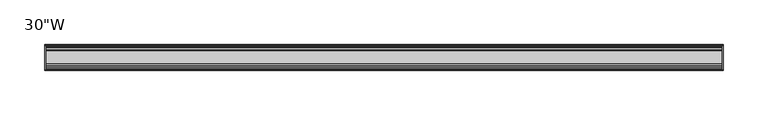
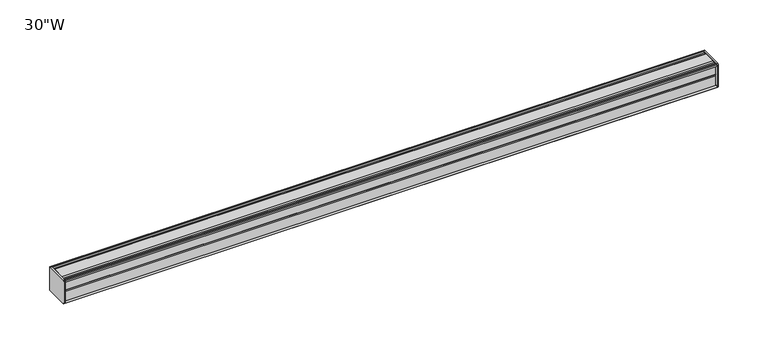
"""IFC4 building model written with IfcOpenShell, lengths in millimetres: furniture geometry."""

from ifc_helpers import new_model, si_unit, frame, origin, place, context, project, spatial, circle_curve, source, transform, mapped, element, save
from ifc_brep_helpers import plane_surface, cylinder_surface, advanced_brep


def furniture_9a12c229(model_context):
    return source(origin(), model_context, "Body", "AdvancedBrep", [
        advanced_brep(
        [(379.4125, 14.5851562, 1196.1436262), (379.4125, 14.5851562, 1169.9932877), (379.4125, 14.4138595, 1169.1873997), (379.4125, 13.8374434, 1168.6109837), (379.4125, 12.9019306, 1168.3603131), (379.4125, -13.4067434, 1168.3603131), (379.4125, -14.3040014, 1169.2575711), (379.4125, -14.5851563, 1170.0259798), (379.4125, -14.5851563, 1195.9443327), (379.4125, -14.3040014, 1196.7127414), (379.4125, -13.4464303, 1197.5703125), (379.4125, 13.0500437, 1197.5703125), (379.4125, 13.8374434, 1197.3593288), (379.4125, 14.4138595, 1196.7829128), (381.0, 14.6248431, 1195.9955131), (381.0, 14.4138595, 1196.7829128), (381.0, 13.8374434, 1197.3593288), (381.0, 13.0500437, 1197.5703125), (381.0, -13.4464303, 1197.5703125), (381.0, -14.3040014, 1196.7127414), (381.0, -14.5851563, 1195.9443327), (381.0, -14.5851563, 1170.0259798), (381.0, -14.3040014, 1169.2575711), (381.0, -13.4067434, 1168.3603131), (381.0, 12.9019306, 1168.3603131), (381.0, 13.8374434, 1168.6109837), (381.0, 14.4138595, 1169.1873997), (381.0, 14.5851562, 1169.9932877)],
        [
            (0, 1),
            (1, 2),
            (2, 3),
            (3, 4),
            (4, 5),
            (5, 6),
            (6, 7, circle_curve(frame((379.4125, -13.3945313, 1170.0259798), z_axis=(-1.0, 0.0, 0.0), x_axis=(0.0, 1.0, 0.0)), 1.190625)),
            (7, 8),
            (8, 9, circle_curve(frame((379.4125, -13.3945313, 1195.9443327), z_axis=(-1.0, 0.0, 0.0), x_axis=(0.0, 1.0, 0.0)), 1.190625)),
            (9, 10),
            (10, 11),
            (11, 12),
            (12, 13),
            (13, 0),
            (14, 15),
            (15, 16),
            (16, 17),
            (17, 18),
            (18, 19),
            (19, 20, circle_curve(frame((381.0, -13.3945313, 1195.9443327), z_axis=(1.0, 0.0, 0.0), x_axis=(0.0, 1.0, 0.0)), 1.190625)),
            (20, 21),
            (21, 22, circle_curve(frame((381.0, -13.3945313, 1170.0259798), z_axis=(1.0, 0.0, 0.0), x_axis=(0.0, 1.0, 0.0)), 1.190625)),
            (22, 23),
            (23, 24),
            (24, 25),
            (25, 26),
            (26, 27),
            (27, 14),
            (13, 15),
            (14, 0),
            (12, 16),
            (11, 17),
            (10, 18),
            (9, 19),
            (8, 20),
            (7, 21),
            (6, 22),
            (5, 23),
            (4, 24),
            (3, 25),
            (2, 26),
            (1, 27),
        ],
        [
            plane_surface(frame((379.4125, 14.5851562, 1169.9932877), z_axis=(-1.0, 0.0, 0.0), x_axis=(0.0, 0.0, -1.0))),
            plane_surface(frame((381.0, 14.5851562, 1169.9932877), z_axis=(1.0, 0.0, 0.0), x_axis=(0.0, 0.0, 1.0))),
            plane_surface(frame((379.4125, 14.4138595, 1196.7829128), z_axis=(0.0, 0.9659256560349851, 0.25881968049857335), x_axis=(1.0, 0.0, 0.0))),
            plane_surface(frame((379.4125, 13.8374434, 1197.3593288), z_axis=(0.0, 0.7071067811866345, 0.7071067811864606), x_axis=(1.0, 0.0, 0.0))),
            plane_surface(frame((379.4125, 13.0500437, 1197.5703125), z_axis=(0.0, 0.2588196804711877, 0.9659256560423232), x_axis=(1.0, 0.0, 0.0))),
            plane_surface(frame((379.4125, -13.4464303, 1197.5703125), z_axis=(0.0, 0.0, 1.0), x_axis=(1.0, 0.0, 0.0))),
            plane_surface(frame((379.4125, -14.3040014, 1196.7127414), z_axis=(0.0, -0.70710678117674, 0.7071067811963553), x_axis=(1.0, 0.0, 0.0))),
            cylinder_surface(frame((381.0, -13.3945313, 1195.9443327), z_axis=(-1.0, 0.0, 0.0), x_axis=(0.0, 1.0, 0.0)), 1.190625),
            plane_surface(frame((379.4125, -14.5851563, 1170.0259798), z_axis=(0.0, -1.0, 0.0), x_axis=(1.0, 0.0, 0.0))),
            cylinder_surface(frame((381.0, -13.3945313, 1170.0259798), z_axis=(-1.0, 0.0, 0.0), x_axis=(0.0, 1.0, 0.0)), 1.190625),
            plane_surface(frame((379.4125, -13.4067434, 1168.3603131), z_axis=(0.0, -0.7071067811917087, -0.7071067811813864), x_axis=(1.0, 0.0, 0.0))),
            plane_surface(frame((379.4125, 12.9019306, 1168.3603131), z_axis=(0.0, 0.0, -1.0), x_axis=(1.0, 0.0, 0.0))),
            plane_surface(frame((379.4125, 13.8374434, 1168.6109837), z_axis=(0.0, 0.2588196804985645, -0.9659256560349875), x_axis=(1.0, 0.0, 0.0))),
            plane_surface(frame((379.4125, 14.4138595, 1169.1873997), z_axis=(0.0, 0.7071067811865204, -0.7071067811865748), x_axis=(1.0, 0.0, 0.0))),
            plane_surface(frame((379.4125, 14.5851562, 1169.9932877), z_axis=(0.0, 0.9781476007310527, -0.207911690830711), x_axis=(1.0, 0.0, 0.0))),
            plane_surface(frame((379.4125, 14.5851562, 1196.1436262), z_axis=(0.0, 1.0, 0.0), x_axis=(1.0, 0.0, 0.0))),
        ],
        [
            (0, [[1, 2, 3, 4, 5, 6, 7, 8, 9, 10, 11, 12, 13, 14]]),
            (1, [[15, 16, 17, 18, 19, 20, 21, 22, 23, 24, 25, 26, 27, 28]]),
            (2, [[-14, 29, -15, 30]]),
            (3, [[-13, 31, -16, -29]]),
            (4, [[-12, 32, -17, -31]]),
            (5, [[-11, 33, -18, -32]]),
            (6, [[-10, 34, -19, -33]]),
            (7, [[-9, 35, -20, -34]]),
            (8, [[-8, 36, -21, -35]]),
            (9, [[-7, 37, -22, -36]]),
            (10, [[-6, 38, -23, -37]]),
            (11, [[-5, 39, -24, -38]]),
            (12, [[-4, 40, -25, -39]]),
            (13, [[-3, 41, -26, -40]]),
            (14, [[-2, 42, -27, -41]]),
            (15, [[-1, -30, -28, -42]]),
        ],
    ),
        advanced_brep(
        [(-379.4125, 14.6248431, 1195.9955131), (-379.4125, 14.4138595, 1196.7829128), (-379.4125, 13.8374434, 1197.3593288), (-379.4125, 13.0500437, 1197.5703125), (-379.4125, -13.4464303, 1197.5703125), (-379.4125, -14.3040014, 1196.7127414), (-379.4125, -14.5851563, 1195.9443327), (-379.4125, -14.5851563, 1170.0259798), (-379.4125, -14.3040014, 1169.2575711), (-379.4125, -13.4067434, 1168.3603131), (-379.4125, 12.9019306, 1168.3603131), (-379.4125, 13.8374434, 1168.6109837), (-379.4125, 14.4138595, 1169.1873997), (-379.4125, 14.5851562, 1169.9932877), (-381.0, 14.5851562, 1196.1436262), (-381.0, 14.5851562, 1169.9932877), (-381.0, 14.4138595, 1169.1873997), (-381.0, 13.8374434, 1168.6109837), (-381.0, 12.9019306, 1168.3603131), (-381.0, -13.4067434, 1168.3603131), (-381.0, -14.3040014, 1169.2575711), (-381.0, -14.5851563, 1170.0259798), (-381.0, -14.5851563, 1195.9443327), (-381.0, -14.3040014, 1196.7127414), (-381.0, -13.4464303, 1197.5703125), (-381.0, 13.0500437, 1197.5703125), (-381.0, 13.8374434, 1197.3593288), (-381.0, 14.4138595, 1196.7829128)],
        [
            (0, 1),
            (1, 2),
            (2, 3),
            (3, 4),
            (4, 5),
            (5, 6, circle_curve(frame((-379.4125, -13.3945313, 1195.9443327), z_axis=(1.0, 0.0, 0.0), x_axis=(0.0, 1.0, 0.0)), 1.190625)),
            (6, 7),
            (7, 8, circle_curve(frame((-379.4125, -13.3945313, 1170.0259798), z_axis=(1.0, 0.0, 0.0), x_axis=(0.0, 1.0, 0.0)), 1.190625)),
            (8, 9),
            (9, 10),
            (10, 11),
            (11, 12),
            (12, 13),
            (13, 0),
            (14, 15),
            (15, 16),
            (16, 17),
            (17, 18),
            (18, 19),
            (19, 20),
            (20, 21, circle_curve(frame((-381.0, -13.3945313, 1170.0259798), z_axis=(-1.0, 0.0, 0.0), x_axis=(0.0, 1.0, 0.0)), 1.190625)),
            (21, 22),
            (22, 23, circle_curve(frame((-381.0, -13.3945313, 1195.9443327), z_axis=(-1.0, 0.0, 0.0), x_axis=(0.0, 1.0, 0.0)), 1.190625)),
            (23, 24),
            (24, 25),
            (25, 26),
            (26, 27),
            (27, 14),
            (0, 14),
            (27, 1),
            (26, 2),
            (25, 3),
            (24, 4),
            (23, 5),
            (22, 6),
            (21, 7),
            (20, 8),
            (19, 9),
            (18, 10),
            (17, 11),
            (16, 12),
            (15, 13),
        ],
        [
            plane_surface(frame((-379.4125, 14.6248431, 1195.9955131), z_axis=(1.0000000000000002, 0.0, 0.0), x_axis=(0.0, -0.25881968043900594, 0.9659256560509463))),
            plane_surface(frame((-381.0, 14.6248431, 1195.9955131), z_axis=(-1.0000000000000002, 0.0, 0.0), x_axis=(0.0, 0.25881968043900594, -0.9659256560509463))),
            plane_surface(frame((-379.4125, 14.6248431, 1195.9955131), z_axis=(0.0, 0.9659256560509463, 0.25881968043900594), x_axis=(-1.0, 0.0, 0.0))),
            plane_surface(frame((-379.4125, 14.4138595, 1196.7829128), z_axis=(0.0, 0.7071067810675442, 0.7071067813055509), x_axis=(-1.0, 0.0, 0.0))),
            plane_surface(frame((-379.4125, 13.8374434, 1197.3593288), z_axis=(0.0, 0.2588196804841774, 0.9659256560388426), x_axis=(-1.0, 0.0, 0.0))),
            plane_surface(frame((-379.4125, 13.0500437, 1197.5703125), z_axis=(0.0, 0.0, 1.0), x_axis=(-1.0, 0.0, 0.0))),
            plane_surface(frame((-379.4125, -13.4464303, 1197.5703125), z_axis=(0.0, -0.7071067811883018, 0.7071067811847932), x_axis=(-1.0, 0.0, 0.0))),
            cylinder_surface(frame((-381.0, -13.3945313, 1195.9443327), z_axis=(1.0, 0.0, 0.0), x_axis=(0.0, 1.0, 0.0)), 1.190625),
            plane_surface(frame((-379.4125, -14.5851563, 1195.9443327), z_axis=(0.0, -1.0, 0.0), x_axis=(-1.0, 0.0, 0.0))),
            cylinder_surface(frame((-381.0, -13.3945313, 1170.0259798), z_axis=(1.0, 0.0, 0.0), x_axis=(0.0, 1.0, 0.0)), 1.190625),
            plane_surface(frame((-379.4125, -14.3040014, 1169.2575711), z_axis=(0.0, -0.7071067811864808, -0.7071067811866142), x_axis=(-1.0, 0.0, 0.0))),
            plane_surface(frame((-379.4125, -13.4067434, 1168.3603131), z_axis=(0.0, 0.0, -1.0), x_axis=(-1.0, 0.0, 0.0))),
            plane_surface(frame((-379.4125, 12.9019306, 1168.3603131), z_axis=(0.0, 0.25881968049856513, -0.9659256560349874), x_axis=(-1.0, 0.0, 0.0))),
            plane_surface(frame((-379.4125, 13.8374434, 1168.6109837), z_axis=(0.0, 0.707106781186519, -0.7071067811865761), x_axis=(-1.0, 0.0, 0.0))),
            plane_surface(frame((-379.4125, 14.4138595, 1169.1873997), z_axis=(0.0, 0.9781476007314348, -0.20791169082891317), x_axis=(-1.0, 0.0, 0.0))),
            plane_surface(frame((-379.4125, 14.5851562, 1169.9932877), z_axis=(0.0, 1.0, 0.0), x_axis=(-1.0, 0.0, 0.0))),
        ],
        [
            (0, [[1, 2, 3, 4, 5, 6, 7, 8, 9, 10, 11, 12, 13, 14]]),
            (1, [[15, 16, 17, 18, 19, 20, 21, 22, 23, 24, 25, 26, 27, 28]]),
            (2, [[-1, 29, -28, 30]]),
            (3, [[-2, -30, -27, 31]]),
            (4, [[-3, -31, -26, 32]]),
            (5, [[-4, -32, -25, 33]]),
            (6, [[-5, -33, -24, 34]]),
            (7, [[-6, -34, -23, 35]]),
            (8, [[-7, -35, -22, 36]]),
            (9, [[-8, -36, -21, 37]]),
            (10, [[-9, -37, -20, 38]]),
            (11, [[-10, -38, -19, 39]]),
            (12, [[-11, -39, -18, 40]]),
            (13, [[-12, -40, -17, 41]]),
            (14, [[-13, -41, -16, 42]]),
            (15, [[-14, -42, -15, -29]]),
        ],
    ),
        advanced_brep(
        [(379.4125, -7.3748315, 1197.5703125), (379.4125, -8.9105708, 1196.5395796), (379.4125, -10.7601399, 1196.5395796), (379.4125, -12.2958792, 1197.5703125), (379.4125, -13.4464303, 1197.5703125), (379.4125, -14.3040014, 1196.7127414), (379.4125, -13.3945313, 1194.7537077), (379.4125, -13.3945313, 1195.665312), (379.4125, -12.2039063, 1195.665312), (379.4125, -12.2039063, 1183.7590632), (379.4125, -11.4101564, 1182.9653134), (379.4125, -12.2039063, 1182.1715636), (379.4125, -12.2039063, 1170.2653131), (379.4125, -13.3945313, 1170.2653131), (379.4125, -13.3945313, 1171.2166048), (379.4125, -14.3040014, 1169.2575711), (379.4125, -13.4067434, 1168.3603131), (379.4125, -12.2958792, 1168.3603131), (379.4125, -10.7601399, 1169.3910471), (379.4125, -8.9105708, 1169.3910471), (379.4125, -7.4339628, 1168.4), (379.4125, 7.4145184, 1168.4), (379.4125, 8.9502576, 1169.4307329), (379.4125, 10.7998291, 1169.4307329), (379.4125, 12.2275037, 1168.4), (379.4125, 13.0500437, 1168.4), (379.4125, 13.8374434, 1168.6109837), (379.4125, 14.4138595, 1169.1873997), (379.4125, 14.5851562, 1169.9932877), (379.4125, 14.5851562, 1196.1436262), (379.4125, 14.4138595, 1196.7829128), (379.4125, 13.8374434, 1197.3593288), (379.4125, 13.0500437, 1197.5703125), (379.4125, 12.2275037, 1197.5703125), (379.4125, 10.7998291, 1196.5395796), (379.4125, 8.9502576, 1196.5395796), (379.4125, 7.4145184, 1197.5703125), (-379.4125, -7.3748315, 1197.5703125), (-379.4125, 7.4145184, 1197.5703125), (-379.4125, 8.9502576, 1196.5395796), (-379.4125, 10.7998291, 1196.5395796), (-379.4125, 12.2275037, 1197.5703125), (-379.4125, 13.0500437, 1197.5703125), (-379.4125, 13.8374434, 1197.3593288), (-379.4125, 14.4138595, 1196.7829128), (-379.4125, 14.6248431, 1195.9955131), (-379.4125, 14.5851562, 1169.9932877), (-379.4125, 14.4138595, 1169.1873997), (-379.4125, 13.8374434, 1168.6109837), (-379.4125, 13.0500437, 1168.4), (-379.4125, 12.2275037, 1168.4), (-379.4125, 10.7998291, 1169.4307329), (-379.4125, 8.9502576, 1169.4307329), (-379.4125, 7.4145184, 1168.4), (-379.4125, -7.4339628, 1168.4), (-379.4125, -8.9105708, 1169.3910471), (-379.4125, -10.7601399, 1169.3910471), (-379.4125, -12.2958792, 1168.3603131), (-379.4125, -13.4067434, 1168.3603131), (-379.4125, -14.3040014, 1169.2575711), (-379.4125, -13.3945313, 1171.2166048), (-379.4125, -13.3945313, 1170.2653131), (-379.4125, -12.2039063, 1170.2653131), (-379.4125, -12.2039063, 1182.1715636), (-379.4125, -11.4101564, 1182.9653134), (-379.4125, -12.2039063, 1183.7590632), (-379.4125, -12.2039063, 1195.665312), (-379.4125, -13.3945313, 1195.665312), (-379.4125, -13.3945313, 1194.7537077), (-379.4125, -14.3040014, 1196.7127414), (-379.4125, -13.4464303, 1197.5703125), (-379.4125, -12.2958792, 1197.5703125), (-379.4125, -10.7601399, 1196.5395796), (-379.4125, -8.9105708, 1196.5395796)],
        [
            (0, 1),
            (1, 2),
            (2, 3),
            (3, 4),
            (4, 5),
            (5, 6, circle_curve(frame((379.4125, -13.3945313, 1195.9443327), z_axis=(1.0, 0.0, 0.0), x_axis=(0.0, 1.0, 0.0)), 1.190625)),
            (6, 7),
            (7, 8),
            (8, 9),
            (9, 10),
            (10, 11),
            (11, 12),
            (12, 13),
            (13, 14),
            (14, 15, circle_curve(frame((379.4125, -13.3945313, 1170.0259798), z_axis=(1.0, 0.0, 0.0), x_axis=(0.0, 1.0, 0.0)), 1.190625)),
            (15, 16),
            (16, 17),
            (17, 18),
            (18, 19),
            (19, 20),
            (20, 21),
            (21, 22),
            (22, 23),
            (23, 24),
            (24, 25),
            (25, 26),
            (26, 27),
            (27, 28),
            (28, 29),
            (29, 30),
            (30, 31),
            (31, 32),
            (32, 33),
            (33, 34),
            (34, 35),
            (35, 36),
            (36, 0),
            (37, 38),
            (38, 39),
            (39, 40),
            (40, 41),
            (41, 42),
            (42, 43),
            (43, 44),
            (44, 45),
            (45, 46),
            (46, 47),
            (47, 48),
            (48, 49),
            (49, 50),
            (50, 51),
            (51, 52),
            (52, 53),
            (53, 54),
            (54, 55),
            (55, 56),
            (56, 57),
            (57, 58),
            (58, 59),
            (59, 60, circle_curve(frame((-379.4125, -13.3945313, 1170.0259798), z_axis=(-1.0, 0.0, 0.0), x_axis=(0.0, 1.0, 0.0)), 1.190625)),
            (60, 61),
            (61, 62),
            (62, 63),
            (63, 64),
            (64, 65),
            (65, 66),
            (66, 67),
            (67, 68),
            (68, 69, circle_curve(frame((-379.4125, -13.3945313, 1195.9443327), z_axis=(-1.0, 0.0, 0.0), x_axis=(0.0, 1.0, 0.0)), 1.190625)),
            (69, 70),
            (70, 71),
            (71, 72),
            (72, 73),
            (73, 37),
            (0, 37),
            (73, 1),
            (72, 2),
            (71, 3),
            (70, 4),
            (69, 5),
            (68, 6),
            (67, 7),
            (66, 8),
            (65, 9),
            (64, 10),
            (63, 11),
            (62, 12),
            (61, 13),
            (60, 14),
            (59, 15),
            (58, 16),
            (57, 17),
            (56, 18),
            (55, 19),
            (54, 20),
            (53, 21),
            (52, 22),
            (51, 23),
            (50, 24),
            (49, 25),
            (48, 26),
            (47, 27),
            (46, 28),
            (45, 29),
            (44, 30),
            (43, 31),
            (42, 32),
            (41, 33),
            (40, 34),
            (39, 35),
            (38, 36),
        ],
        [
            plane_surface(frame((379.4125, -7.3748315, 1197.5703125), z_axis=(1.0, 0.0, 0.0), x_axis=(0.0, -0.8303227972603312, -0.5572827400429506))),
            plane_surface(frame((-379.4125, -7.3748315, 1197.5703125), z_axis=(-1.0, 0.0, 0.0), x_axis=(0.0, 0.8303227972603312, 0.5572827400429506))),
            plane_surface(frame((379.4125, -7.3748315, 1197.5703125), z_axis=(0.0, -0.5572827400429506, 0.8303227972603312), x_axis=(-1.0, 0.0, 0.0))),
            plane_surface(frame((379.4125, -8.9105708, 1196.5395796), z_axis=(0.0, 0.0, 1.0), x_axis=(-1.0, 0.0, 0.0))),
            plane_surface(frame((379.4125, -10.7601399, 1196.5395796), z_axis=(0.0, 0.557282740042951, 0.8303227972603311), x_axis=(-1.0, 0.0, 0.0))),
            plane_surface(frame((379.4125, -12.2958792, 1197.5703125), z_axis=(0.0, 0.0, 1.0), x_axis=(-1.0, 0.0, 0.0))),
            plane_surface(frame((379.4125, -13.4464303, 1197.5703125), z_axis=(0.0, -0.7071067811813211, 0.707106781191774), x_axis=(-1.0, 0.0, 0.0))),
            cylinder_surface(frame((-379.4125, -13.3945313, 1195.9443327), z_axis=(1.0, 0.0, 0.0), x_axis=(0.0, 1.0, 0.0)), 1.190625),
            plane_surface(frame((379.4125, -13.3945313, 1194.7537077), z_axis=(0.0, 1.0, 0.0), x_axis=(-1.0, 0.0, 0.0))),
            plane_surface(frame((379.4125, -13.3945313, 1195.665312), z_axis=(0.0, 0.0, -1.0), x_axis=(-1.0, 0.0, 0.0))),
            plane_surface(frame((379.4125, -12.2039063, 1195.665312), z_axis=(0.0, -1.0, 0.0), x_axis=(-1.0, 0.0, 0.0))),
            plane_surface(frame((379.4125, -12.2039063, 1183.7590632), z_axis=(0.0, -0.7071067811865146, -0.7071067811865805), x_axis=(-1.0, 0.0, 0.0))),
            plane_surface(frame((379.4125, -11.4101564, 1182.9653134), z_axis=(0.0, -0.7071067811865522, 0.7071067811865428), x_axis=(-1.0, 0.0, 0.0))),
            plane_surface(frame((379.4125, -12.2039063, 1182.1715636), z_axis=(0.0, -1.0, 0.0), x_axis=(-1.0, 0.0, 0.0))),
            plane_surface(frame((379.4125, -12.2039063, 1170.2653131), z_axis=(0.0, 0.0, 1.0), x_axis=(-1.0, 0.0, 0.0))),
            plane_surface(frame((379.4125, -13.3945313, 1170.2653131), z_axis=(0.0, 1.0, 0.0), x_axis=(-1.0, 0.0, 0.0))),
            cylinder_surface(frame((-379.4125, -13.3945313, 1170.0259798), z_axis=(1.0, 0.0, 0.0), x_axis=(0.0, 1.0, 0.0)), 1.190625),
            plane_surface(frame((379.4125, -14.3040014, 1169.2575711), z_axis=(0.0, -0.7071067811865901, -0.707106781186505), x_axis=(-1.0, 0.0, 0.0))),
            plane_surface(frame((379.4125, -13.4067434, 1168.3603131), z_axis=(0.0, 0.0, -1.0), x_axis=(-1.0, 0.0, 0.0))),
            plane_surface(frame((379.4125, -12.2958792, 1168.3603131), z_axis=(0.0, 0.5572831632988446, -0.8303225131860712), x_axis=(-1.0, 0.0, 0.0))),
            plane_surface(frame((379.4125, -10.7601399, 1169.3910471), z_axis=(0.0, 0.0, -1.0), x_axis=(-1.0, 0.0, 0.0))),
            plane_surface(frame((379.4125, -8.9105708, 1169.3910471), z_axis=(0.0, -0.5572831633036728, -0.8303225131828307), x_axis=(-1.0, 0.0, 0.0))),
            plane_surface(frame((379.4125, -7.4339628, 1168.4), z_axis=(0.0, 0.0, -1.0), x_axis=(-1.0, 0.0, 0.0))),
            plane_surface(frame((379.4125, 7.4145184, 1168.4), z_axis=(0.0, 0.5572827400522353, -0.8303227972540997), x_axis=(-1.0, 0.0, 0.0))),
            plane_surface(frame((379.4125, 8.9502576, 1169.4307329), z_axis=(0.0, 0.0, -1.0), x_axis=(-1.0, 0.0, 0.0))),
            plane_surface(frame((379.4125, 10.7998291, 1169.4307329), z_axis=(0.0, -0.5853541342124147, -0.8107777362264177), x_axis=(-1.0, 0.0, 0.0))),
            plane_surface(frame((379.4125, 12.2275037, 1168.4), z_axis=(0.0, 0.0, -1.0), x_axis=(-1.0, 0.0, 0.0))),
            plane_surface(frame((379.4125, 13.0500437, 1168.4), z_axis=(0.0, 0.2588196804985639, -0.9659256560349877), x_axis=(-1.0, 0.0, 0.0))),
            plane_surface(frame((379.4125, 13.8374434, 1168.6109837), z_axis=(0.0, 0.7071067811865592, -0.7071067811865358), x_axis=(-1.0, 0.0, 0.0))),
            plane_surface(frame((379.4125, 14.4138595, 1169.1873997), z_axis=(0.0, 0.9781476007314349, -0.20791169082891267), x_axis=(-1.0, 0.0, 0.0))),
            plane_surface(frame((379.4125, 14.5851562, 1169.9932877), z_axis=(0.0, 1.0, 0.0), x_axis=(-1.0, 0.0, 0.0))),
            plane_surface(frame((379.4125, 14.6248431, 1195.9955131), z_axis=(0.0, 0.9659256560510352, 0.2588196804386741), x_axis=(-1.0, 0.0, 0.0))),
            plane_surface(frame((379.4125, 14.4138595, 1196.7829128), z_axis=(0.0, 0.7071067810667437, 0.7071067813063513), x_axis=(-1.0, 0.0, 0.0))),
            plane_surface(frame((379.4125, 13.8374434, 1197.3593288), z_axis=(0.0, 0.2588196804843108, 0.9659256560388069), x_axis=(-1.0, 0.0, 0.0))),
            plane_surface(frame((379.4125, 13.0500437, 1197.5703125), z_axis=(0.0, 0.0, 1.0), x_axis=(-1.0, 0.0, 0.0))),
            plane_surface(frame((379.4125, 12.2275037, 1197.5703125), z_axis=(0.0, -0.5853541342077658, 0.810777736229774), x_axis=(-1.0, 0.0, 0.0))),
            plane_surface(frame((379.4125, 10.7998291, 1196.5395796), z_axis=(0.0, 0.0, 1.0), x_axis=(-1.0, 0.0, 0.0))),
            plane_surface(frame((379.4125, 8.9502576, 1196.5395796), z_axis=(0.0, 0.557282740042951, 0.8303227972603311), x_axis=(-1.0, 0.0, 0.0))),
            plane_surface(frame((379.4125, 7.4145184, 1197.5703125), z_axis=(0.0, 0.0, 1.0), x_axis=(-1.0, 0.0, 0.0))),
        ],
        [
            (0, [[1, 2, 3, 4, 5, 6, 7, 8, 9, 10, 11, 12, 13, 14, 15, 16, 17, 18, 19, 20, 21, 22, 23, 24, 25, 26, 27, 28, 29, 30, 31, 32, 33, 34, 35, 36, 37]]),
            (1, [[38, 39, 40, 41, 42, 43, 44, 45, 46, 47, 48, 49, 50, 51, 52, 53, 54, 55, 56, 57, 58, 59, 60, 61, 62, 63, 64, 65, 66, 67, 68, 69, 70, 71, 72, 73, 74]]),
            (2, [[-1, 75, -74, 76]]),
            (3, [[-2, -76, -73, 77]]),
            (4, [[-3, -77, -72, 78]]),
            (5, [[-4, -78, -71, 79]]),
            (6, [[-5, -79, -70, 80]]),
            (7, [[-6, -80, -69, 81]]),
            (8, [[-7, -81, -68, 82]]),
            (9, [[-8, -82, -67, 83]]),
            (10, [[-9, -83, -66, 84]]),
            (11, [[-10, -84, -65, 85]]),
            (12, [[-11, -85, -64, 86]]),
            (13, [[-12, -86, -63, 87]]),
            (14, [[-13, -87, -62, 88]]),
            (15, [[-14, -88, -61, 89]]),
            (16, [[-15, -89, -60, 90]]),
            (17, [[-16, -90, -59, 91]]),
            (18, [[-17, -91, -58, 92]]),
            (19, [[-18, -92, -57, 93]]),
            (20, [[-19, -93, -56, 94]]),
            (21, [[-20, -94, -55, 95]]),
            (22, [[-21, -95, -54, 96]]),
            (23, [[-22, -96, -53, 97]]),
            (24, [[-23, -97, -52, 98]]),
            (25, [[-24, -98, -51, 99]]),
            (26, [[-25, -99, -50, 100]]),
            (27, [[-26, -100, -49, 101]]),
            (28, [[-27, -101, -48, 102]]),
            (29, [[-28, -102, -47, 103]]),
            (30, [[-29, -103, -46, 104]]),
            (31, [[-30, -104, -45, 105]]),
            (32, [[-31, -105, -44, 106]]),
            (33, [[-32, -106, -43, 107]]),
            (34, [[-33, -107, -42, 108]]),
            (35, [[-34, -108, -41, 109]]),
            (36, [[-35, -109, -40, 110]]),
            (37, [[-36, -110, -39, 111]]),
            (38, [[-37, -111, -38, -75]]),
        ],
    ),
    ])


if __name__ == "__main__":
    model = new_model("IFC4")
    model_context = context("Model", 3, world=origin())
    ifc_project = project(units=[si_unit("LENGTHUNIT", "METRE", prefix="MILLI")], contexts=[model_context])
    site = spatial("IfcSite", under=ifc_project)
    building = spatial("IfcBuilding", under=site)
    placement = place(None, origin())
    furniture_shape = furniture_9a12c229(model_context)
    element("IfcFurniture", 1, ObjectType="30\"W", at=placement, inside=building, context=model_context, shape_type="MappedRepresentation", body=[
        mapped(furniture_shape, transform((0.0, 0.0, 0.0), x_axis=(1.0, 0.0, 0.0), y_axis=(0.0, 1.0, 0.0), z_axis=(0.0, 0.0, 1.0))),
    ])
    save(model, "model.ifc")
